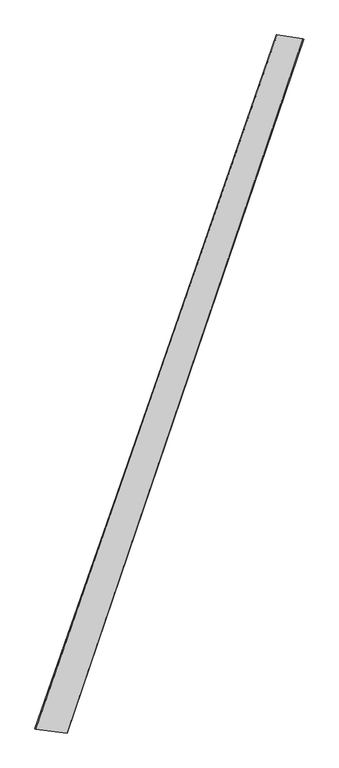
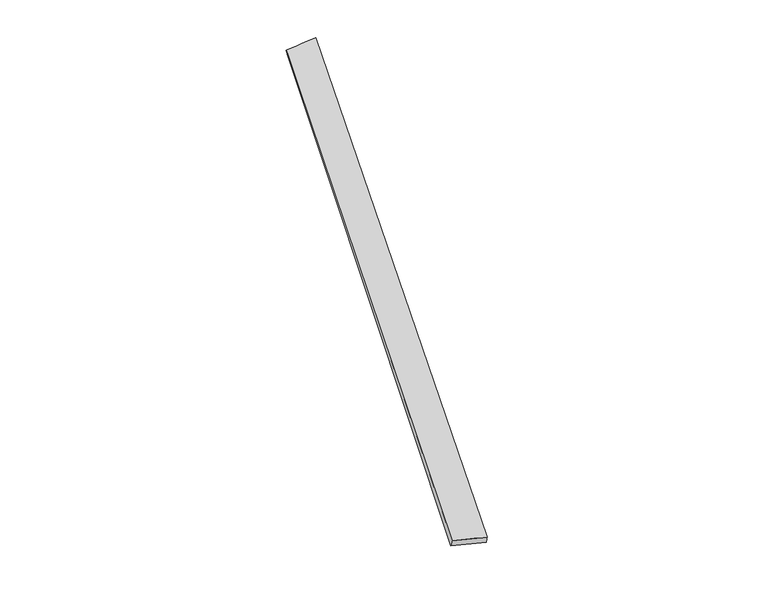
"""IFC4 building model written with IfcOpenShell, lengths in millimetres: proxy geometry."""

from ifc_helpers import new_model, si_unit, origin, place, context, project, spatial, source, transform, mapped, element, save
from ifc_brep_helpers import spline_surface, advanced_brep


def generic_models_cf6a6ef4(model_context):
    return source(origin(), model_context, "Body", "AdvancedBrep", [
        advanced_brep(
        [(-682.3098703, -1728.5183382, 13.9678629), (-677.0390152, -1730.131888, 43.4570905), (664.8896372, 2133.1304305, 12.1220724), (671.8795329, 2130.4449441, -16.9283927), (-502.2484207, -1752.6315625, 15.7442499), (810.49597, 2110.9795852, 46.2892601), (-506.0127997, -1751.1038859, -13.979405), (816.4431372, 2109.17728, 16.9399348)],
        [
            (0, 1),
            (1, 2),
            (2, 3),
            (3, 0),
            (1, 4),
            (4, 5),
            (5, 2),
            (4, 6),
            (6, 7),
            (7, 5),
            (6, 0),
            (3, 7),
        ],
        [
            spline_surface(1, 1, [[(-682.3098703, -1728.5183382, 13.9678629), (671.8795329, 2130.4449441, -16.9283927)], [(-677.0390152, -1730.131888, 43.4570905), (664.8896372, 2133.1304305, 12.1220724)]], [2, 2], [2, 2], [0.0, 1.0], [0.0, 1.0]),
            spline_surface(1, 1, [[(-677.0390152, -1730.131888, 43.4570905), (664.8896372, 2133.1304305, 12.1220724)], [(-502.2484207, -1752.6315625, 15.7442499), (810.49597, 2110.9795852, 46.2892601)]], [2, 2], [2, 2], [0.0, 1.0], [0.0, 1.0]),
            spline_surface(1, 1, [[(-502.2484207, -1752.6315625, 15.7442499), (810.49597, 2110.9795852, 46.2892601)], [(-506.0127997, -1751.1038859, -13.979405), (816.4431372, 2109.17728, 16.9399348)]], [2, 2], [2, 2], [0.0, 1.0], [0.0, 1.0]),
            spline_surface(1, 1, [[(-506.0127997, -1751.1038859, -13.979405), (816.4431372, 2109.17728, 16.9399348)], [(-682.3098703, -1728.5183382, 13.9678629), (671.8795329, 2130.4449441, -16.9283927)]], [2, 2], [2, 2], [0.0, 1.0], [0.0, 1.0]),
            spline_surface(1, 1, [[(664.8896372, 2133.1304305, 12.1220724), (671.8795329, 2130.4449441, -16.9283927)], [(810.49597, 2110.9795852, 46.2892601), (816.4431372, 2109.17728, 16.9399348)]], [2, 2], [2, 2], [0.0, 1.0], [0.0, 1.0]),
            spline_surface(1, 1, [[(-506.0127997, -1751.1038859, -13.979405), (-682.3098703, -1728.5183382, 13.9678629)], [(-502.2484207, -1752.6315625, 15.7442499), (-677.0390152, -1730.131888, 43.4570905)]], [2, 2], [2, 2], [0.0, 1.0], [0.0, 1.0]),
        ],
        [
            (0, [[1, 2, 3, 4]]),
            (1, [[5, 6, 7, -2]]),
            (2, [[8, 9, 10, -6]]),
            (3, [[11, -4, 12, -9]]),
            (4, [[-3, -7, -10, -12]]),
            (5, [[-11, -8, -5, -1]]),
        ],
    ),
    ])


if __name__ == "__main__":
    model = new_model("IFC4")
    model_context = context("Model", 3, world=origin())
    ifc_project = project(units=[si_unit("LENGTHUNIT", "METRE", prefix="MILLI")], contexts=[model_context])
    site = spatial("IfcSite", under=ifc_project)
    building = spatial("IfcBuilding", under=site)
    placement = place(None, origin())
    generic_models_shape = generic_models_cf6a6ef4(model_context)
    element("IfcBuildingElementProxy", 1, Name="Generic Models", at=placement, inside=building, context=model_context, shape_type="MappedRepresentation", body=[
        mapped(generic_models_shape, transform((0.0, 0.0, 0.0), x_axis=(1.0, 0.0, 0.0), y_axis=(0.0, 1.0, 0.0), z_axis=(0.0, 0.0, 1.0))),
    ])
    save(model, "model.ifc")
